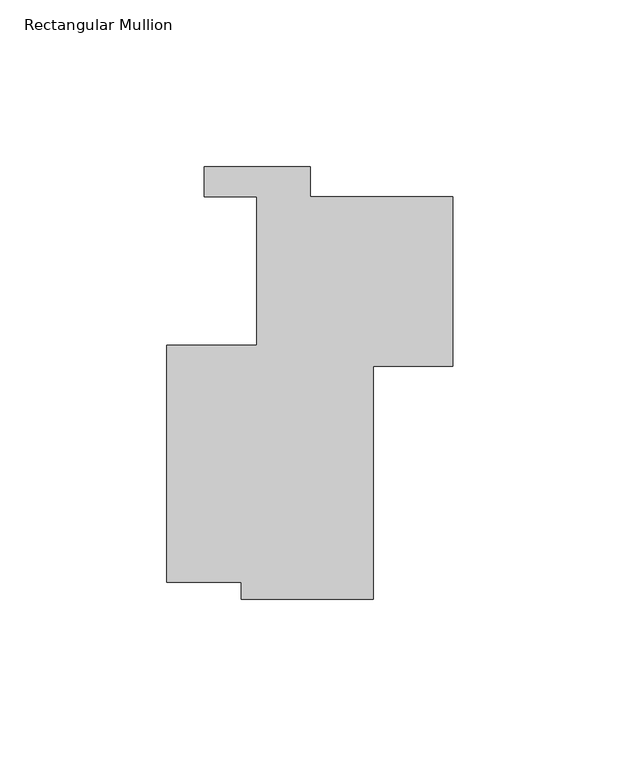
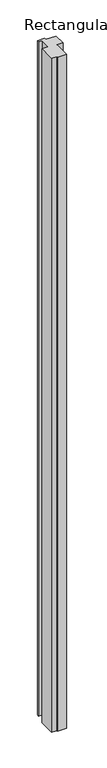
"""IFC4 building model written with IfcOpenShell, lengths in millimetres: member geometry, Rectangular Mullion."""

import ifcopenshell
import ifcopenshell.guid

model = None  # the IFC model being written
_history = None  # IfcOwnerHistory: only IFC2X3 demands one
_inside = {}  # id of a spatial element -> (the spatial element, [elements in it])
_under = {}  # id of a project, library or spatial element -> (it, [spatial elements below it])
_declared = {}  # id of a project -> (the project, [libraries it declares])
_typed = {}  # id of a type object -> (the type object, [elements of that type])
_made_of = {}  # id of a material, layer set ... -> (it, [elements and type objects made of it])


def new_model(schema):
    """Start an empty IFC model of exactly this schema.

    Asked for "IFC4X3", IfcOpenShell would pick the latest addendum, in which some entities
    have other attributes; the version numbers below select the first issue.
    IFC2X3 requires an IfcOwnerHistory on every rooted entity: one is made here for all.
    """
    global model, _history
    if schema == "IFC4X3":
        model = ifcopenshell.file(schema_version=(4, 3, 0, 0))
    else:
        model = ifcopenshell.file(schema=schema)
    _inside.clear()
    _under.clear()
    _declared.clear()
    _typed.clear()
    _made_of.clear()
    _history = None
    if model.schema == "IFC2X3":
        org = make("IfcOrganization", Name="unknown")
        user = make(
            "IfcPersonAndOrganization",
            ThePerson=make("IfcPerson", FamilyName="unknown"),
            TheOrganization=org,
        )
        app = make(
            "IfcApplication",
            ApplicationDeveloper=org,
            Version="unknown",
            ApplicationFullName="unknown",
            ApplicationIdentifier="unknown",
        )
        _history = make(
            "IfcOwnerHistory",
            OwningUser=user,
            OwningApplication=app,
            ChangeAction="ADDED",
            CreationDate=0,
        )
    return model


def make(cls, **values):
    """One entity of the class cls with the attributes given. An attribute that is None is left unset."""
    return model.create_entity(
        cls, **{name: value for name, value in values.items() if value is not None}
    )


def rooted(cls, **values):
    """An entity with a GlobalId (a new one), such as an element, a storey or a relation."""
    return make(cls, GlobalId=ifcopenshell.guid.new(), OwnerHistory=_history, **values)


def si_unit(unit_type, name, prefix=None):
    """IfcSIUnit, for example si_unit("LENGTHUNIT", "METRE", prefix="MILLI")."""
    return make("IfcSIUnit", UnitType=unit_type, Prefix=prefix, Name=name)


def assignment(units):
    """IfcUnitAssignment: the units of a project."""
    return None if units is None else make("IfcUnitAssignment", Units=units)


def point(xyz):
    """IfcCartesianPoint."""
    return None if xyz is None else make("IfcCartesianPoint", Coordinates=xyz)


def direction(xyz):
    """IfcDirection."""
    return None if xyz is None else make("IfcDirection", DirectionRatios=xyz)


def frame(location, z_axis=None, x_axis=None):
    """IfcAxis2Placement3D, a coordinate frame: its origin and axes. An axis left out is left unset."""
    return make(
        "IfcAxis2Placement3D",
        Location=point(location),
        Axis=direction(z_axis),
        RefDirection=direction(x_axis),
    )


def origin():
    """The frame at (0, 0, 0) with its axes left unset."""
    return frame((0.0, 0.0, 0.0))


def place(relative_to, where):
    """IfcLocalPlacement: puts the frame where relative to a parent placement (None: the world)."""
    return make(
        "IfcLocalPlacement", PlacementRelTo=relative_to, RelativePlacement=where
    )


def context(
    kind, dimensions, precision=None, world=None, true_north=None, identifier=None
):
    """IfcGeometricRepresentationContext, for example the 3D "Model" context."""
    return make(
        "IfcGeometricRepresentationContext",
        ContextIdentifier=identifier,
        ContextType=kind,
        CoordinateSpaceDimension=dimensions,
        Precision=precision,
        WorldCoordinateSystem=world,
        TrueNorth=true_north,
    )


def project(units=None, contexts=None):
    """IfcProject with its units and contexts."""
    return rooted(
        "IfcProject",
        Name="project",
        RepresentationContexts=contexts,
        UnitsInContext=assignment(units),
    )


def spatial(cls, under=None, at=None, **own):
    """A site, building, storey or space (cls), placed at a placement, below another one or the project."""
    s = rooted(cls, ObjectPlacement=at, **own)
    if under is not None:
        _under.setdefault(under.id(), (under, []))[1].append(s)
    return s


def polyline(points):
    """IfcPolyline through the points."""
    return make("IfcPolyline", Points=[point(p) for p in points])


def outline(outer, holes=None, kind="AREA"):
    """IfcArbitraryClosedProfileDef: a profile drawn as a closed curve; with holes, ...WithVoids."""
    if holes is None:
        return make("IfcArbitraryClosedProfileDef", ProfileType=kind, OuterCurve=outer)
    return make(
        "IfcArbitraryProfileDefWithVoids",
        ProfileType=kind,
        OuterCurve=outer,
        InnerCurves=holes,
    )


def extrude(swept, where, along, depth):
    """IfcExtrudedAreaSolid: the profile swept, set in the frame where, extruded along a direction by depth."""
    return make(
        "IfcExtrudedAreaSolid",
        SweptArea=swept,
        Position=where,
        ExtrudedDirection=direction(along),
        Depth=depth,
    )


def shape(context_of_items, identifier, shape_type, items):
    """IfcShapeRepresentation: the items that make up one representation, for example the "Body"."""
    return make(
        "IfcShapeRepresentation",
        ContextOfItems=context_of_items,
        RepresentationIdentifier=identifier,
        RepresentationType=shape_type,
        Items=items,
    )


def source(mapping_origin, context_of_items, identifier, shape_type, items):
    """IfcRepresentationMap: a shape defined once, which mapped items show again and again."""
    return make(
        "IfcRepresentationMap",
        MappingOrigin=mapping_origin,
        MappedRepresentation=shape(context_of_items, identifier, shape_type, items),
    )


def transform(
    local_origin,
    x_axis=None,
    y_axis=None,
    z_axis=None,
    scale=None,
    scale2=None,
    scale3=None,
    uniform=True,
):
    """IfcCartesianTransformationOperator3D, or its non-uniform kind. x_axis, y_axis, z_axis: its Axis1, 2, 3."""
    if uniform:
        return make(
            "IfcCartesianTransformationOperator3D",
            Axis1=direction(x_axis),
            Axis2=direction(y_axis),
            LocalOrigin=point(local_origin),
            Scale=scale,
            Axis3=direction(z_axis),
        )
    return make(
        "IfcCartesianTransformationOperator3DnonUniform",
        Axis1=direction(x_axis),
        Axis2=direction(y_axis),
        LocalOrigin=point(local_origin),
        Scale=scale,
        Axis3=direction(z_axis),
        Scale2=scale2,
        Scale3=scale3,
    )


def mapped(mapping_source, mapping_target):
    """IfcMappedItem: shows the shape of a source again, moved by a transform."""
    return make(
        "IfcMappedItem", MappingSource=mapping_source, MappingTarget=mapping_target
    )


def made_of(thing, what):
    """Note that an element or type object is made of a material, layer set ...; save() writes the relation."""
    if what is not None:
        _made_of.setdefault(what.id(), (what, []))[1].append(thing)
    return thing


def element(
    cls,
    number,
    at=None,
    inside=None,
    cuts=None,
    type_object=None,
    material=None,
    context=None,
    identifier="Body",
    shape_type=None,
    held_by="IfcProductDefinitionShape",
    body=None,
    shapes=None,
    **own,
):
    """One element of the class cls, such as IfcWall. Its Tag is "e" and its number.

    at: its placement. inside: the storey or other place that contains it. cuts: it is an
    opening in that element (IfcRelVoidsElement). A single representation is given by context,
    identifier, shape_type and body (its items); several are given by shapes. held_by: the class
    of the entity that holds the representations. save() writes the other relations.
    """
    e = rooted(cls, Tag="e%d" % number, ObjectPlacement=at, **own)
    if body is not None:
        shapes = [shape(context, identifier, shape_type, body)]
    if shapes is not None:
        e.Representation = make(held_by, Representations=shapes)
    if inside is not None:
        _inside.setdefault(inside.id(), (inside, []))[1].append(e)
    if cuts is not None:
        rooted(
            "IfcRelVoidsElement", RelatingBuildingElement=cuts, RelatedOpeningElement=e
        )
    if type_object is not None:
        _typed.setdefault(type_object.id(), (type_object, []))[1].append(e)
    return made_of(e, material)


def aggregate(whole, parts):
    """IfcRelAggregates: a whole, such as a stair, and the parts it consists of."""
    return rooted("IfcRelAggregates", RelatingObject=whole, RelatedObjects=parts)


def save(model, path):
    """Write the relations noted so far, then the file.

    IfcRelAggregates (storeys below a building ...), IfcRelContainedInSpatialStructure (elements
    in a storey), IfcRelDefinesByType, IfcRelAssociatesMaterial and IfcRelDeclares: one each for
    every whole, place, type object, material and project.
    """
    for whole, parts in _under.values():
        aggregate(whole, parts)
    for where, things in _inside.values():
        rooted(
            "IfcRelContainedInSpatialStructure",
            RelatedElements=things,
            RelatingStructure=where,
        )
    for kind, things in _typed.values():
        rooted("IfcRelDefinesByType", RelatedObjects=things, RelatingType=kind)
    for what, things in _made_of.values():
        rooted("IfcRelAssociatesMaterial", RelatedObjects=things, RelatingMaterial=what)
    for by, libraries in _declared.values():
        rooted("IfcRelDeclares", RelatingContext=by, RelatedDefinitions=libraries)
    model.write(path)


def rectangular_mullion_ba252766(model_context):
    return source(origin(), model_context, "Body", "SweptSolid", [
        extrude(outline(polyline([(-63.4873, -35.7377997), (-85.7123, -35.7377997), (-85.7123, 35.3822001), (-58.7248005, 35.3822001), (-58.7248005, 79.8322001), (-74.5584685, 79.8322001), (-74.5584685, 88.7984003), (-42.8084685, 88.7984003), (-42.8084685, 79.8322002), (0.0, 79.8322002), (0.0, 29.0322002), (-23.7998, 29.0322002), (-23.7998, -40.8217662), (-63.4873, -40.8217662), (-63.4873, -35.7377997)])), frame((0.0, 0.0, -3048.0), z_axis=(0.0, 0.0, 1.0), x_axis=(1.0, 0.0, 0.0)), (0.0, 0.0, 1.0), 3048.0),
    ])


if __name__ == "__main__":
    model = new_model("IFC4")
    model_context = context("Model", 3, world=origin())
    ifc_project = project(units=[si_unit("LENGTHUNIT", "METRE", prefix="MILLI")], contexts=[model_context])
    site = spatial("IfcSite", under=ifc_project)
    building = spatial("IfcBuilding", under=site)
    placement = place(None, origin())
    rectangular_mullion_shape = rectangular_mullion_ba252766(model_context)
    element("IfcMember", 1, ObjectType="Rectangular Mullion", at=placement, inside=building, context=model_context, shape_type="MappedRepresentation", body=[
        mapped(rectangular_mullion_shape, transform((0.0, 0.0, 0.0), x_axis=(1.0, 0.0, 0.0), y_axis=(0.0, 1.0, 0.0), z_axis=(0.0, 0.0, 1.0))),
    ])
    save(model, "model.ifc")
